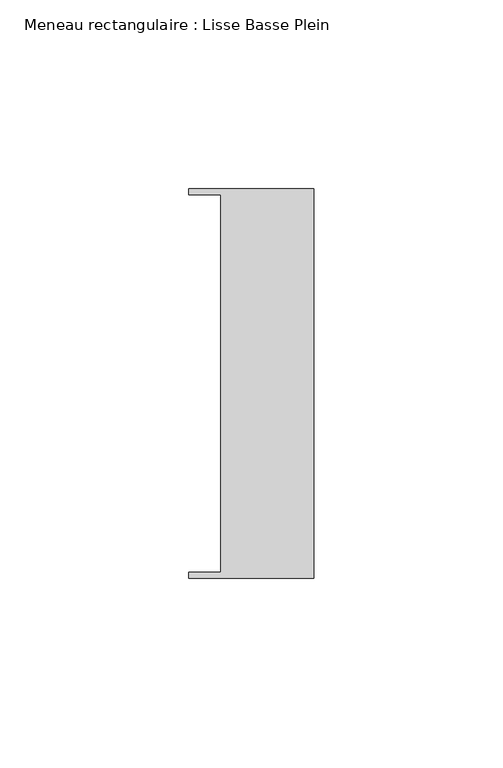
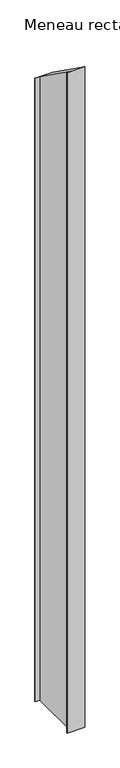
"""IFC4 building model written with IfcOpenShell, lengths in millimetres: member geometry, Meneau rectangulaire : Lisse Basse Plein."""

from ifc_helpers import new_model, si_unit, origin, place, context, project, spatial, faceted_brep, source, transform, mapped, element, save


def meneau_rectangulaire_lisse_basse_plein_a22c1db8(model_context):
    return source(origin(), model_context, "Body", "Brep", [
        faceted_brep([(0.0, -51.5026203, -1254.2000003), (-33.0710396, -51.5026203, -1254.2000003), (-33.0710396, -49.9505686, -1254.2000003), (-24.7130865, -49.9505686, -1254.2000003), (-24.7130865, 49.9505686, -1254.2000003), (-33.0710396, 49.9505686, -1254.2000003), (-33.0710396, 51.5026203, -1254.2000003), (0.0, 51.5026203, -1254.2000003), (0.0, 51.5026203, -36.736462), (0.0, -51.5026203, 36.736462), (-33.0710396, 51.5026203, -36.736462), (-33.0710396, 49.9505686, -35.6293943), (-24.7130865, 49.9505686, -35.6293943), (-24.7130865, -49.9505686, 35.6293943), (-33.0710396, -49.9505686, 35.6293943), (-33.0710396, -51.5026203, 36.736462)], [[[0, 1, 2, 3, 4, 5, 6, 7]], [[8, 9, 0, 7]], [[10, 8, 7, 6]], [[11, 10, 6, 5]], [[12, 11, 5, 4]], [[13, 12, 4, 3]], [[14, 13, 3, 2]], [[15, 14, 2, 1]], [[9, 15, 1, 0]], [[9, 8, 10, 11, 12, 13, 14, 15]]]),
    ])


if __name__ == "__main__":
    model = new_model("IFC4")
    model_context = context("Model", 3, world=origin())
    ifc_project = project(units=[si_unit("LENGTHUNIT", "METRE", prefix="MILLI")], contexts=[model_context])
    site = spatial("IfcSite", under=ifc_project)
    building = spatial("IfcBuilding", under=site)
    placement = place(None, origin())
    meneau_rectangulaire_lisse_basse_plein_shape = meneau_rectangulaire_lisse_basse_plein_a22c1db8(model_context)
    element("IfcMember", 1, ObjectType="Meneau rectangulaire : Lisse Basse Plein", at=placement, inside=building, context=model_context, shape_type="MappedRepresentation", body=[
        mapped(meneau_rectangulaire_lisse_basse_plein_shape, transform((0.0, 0.0, 0.0), x_axis=(1.0, 0.0, 0.0), y_axis=(0.0, 1.0, 0.0), z_axis=(0.0, 0.0, 1.0))),
    ])
    save(model, "model.ifc")
